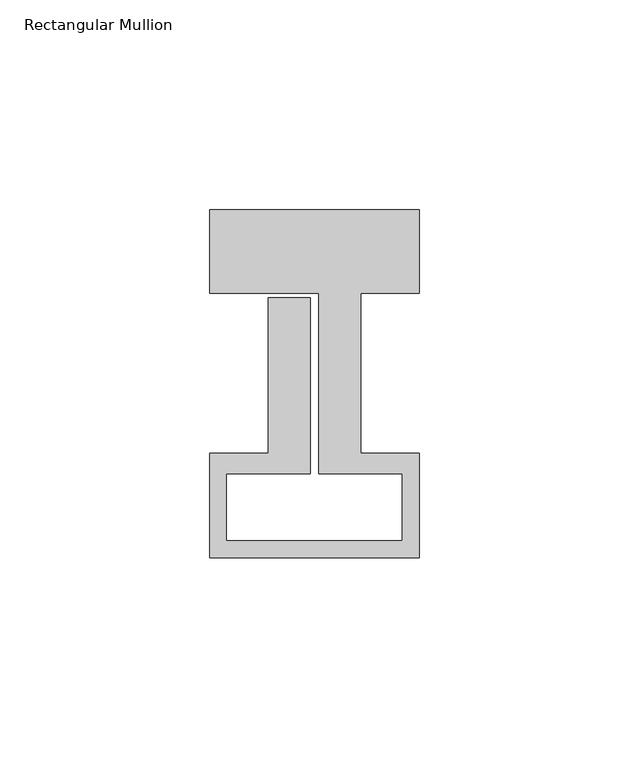
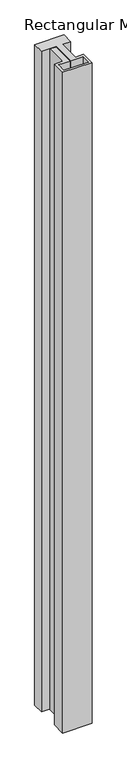
"""IFC4 building model written with IfcOpenShell, lengths in millimetres: member geometry, Rectangular Mullion."""

from ifc_helpers import new_model, si_unit, frame, origin, place, context, project, spatial, polyline, outline, extrude, source, transform, mapped, element, save


def rectangular_mullion_cd177dfc(model_context):
    return source(origin(), model_context, "Body", "SweptSolid", [
        extrude(outline(polyline([(25.0, 58.0), (25.0, 38.0), (11.0, 38.0), (11.0, -0.1), (25.0, -0.1), (25.0, -25.0), (-25.0, -25.0), (-25.0, -0.1), (-11.0, -0.1), (-11.0, 37.0), (-1.0, 37.0), (-1.0, -5.0), (-21.0, -5.0), (-21.0, -21.0), (21.0, -21.0), (21.0, -5.0), (1.0, -5.0), (1.0, 38.0), (-25.0, 38.0), (-25.0, 58.0), (25.0, 58.0)])), frame((0.0, 0.0, -1193.0), z_axis=(0.0, 0.0, 1.0), x_axis=(1.0, 0.0, 0.0)), (0.0, 0.0, 1.0), 1193.0),
    ])


if __name__ == "__main__":
    model = new_model("IFC4")
    model_context = context("Model", 3, world=origin())
    ifc_project = project(units=[si_unit("LENGTHUNIT", "METRE", prefix="MILLI")], contexts=[model_context])
    site = spatial("IfcSite", under=ifc_project)
    building = spatial("IfcBuilding", under=site)
    placement = place(None, origin())
    rectangular_mullion_shape = rectangular_mullion_cd177dfc(model_context)
    element("IfcMember", 1, ObjectType="Rectangular Mullion", at=placement, inside=building, context=model_context, shape_type="MappedRepresentation", body=[
        mapped(rectangular_mullion_shape, transform((0.0, 0.0, 0.0), x_axis=(1.0, 0.0, 0.0), y_axis=(0.0, 1.0, 0.0), z_axis=(0.0, 0.0, 1.0))),
    ])
    save(model, "model.ifc")
